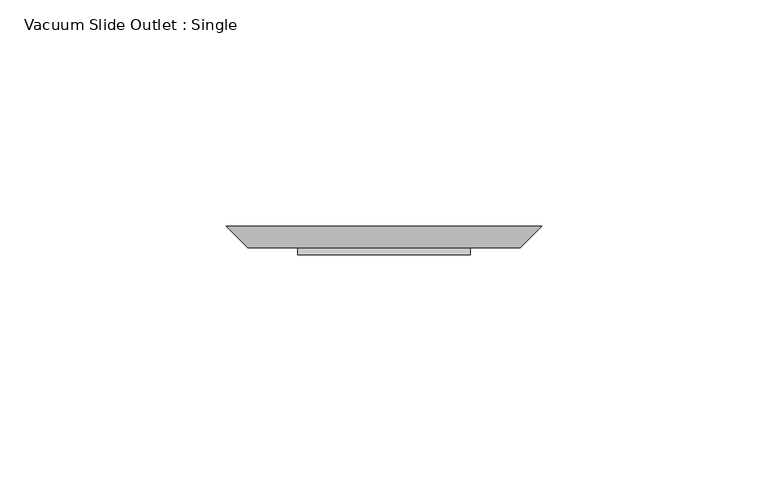
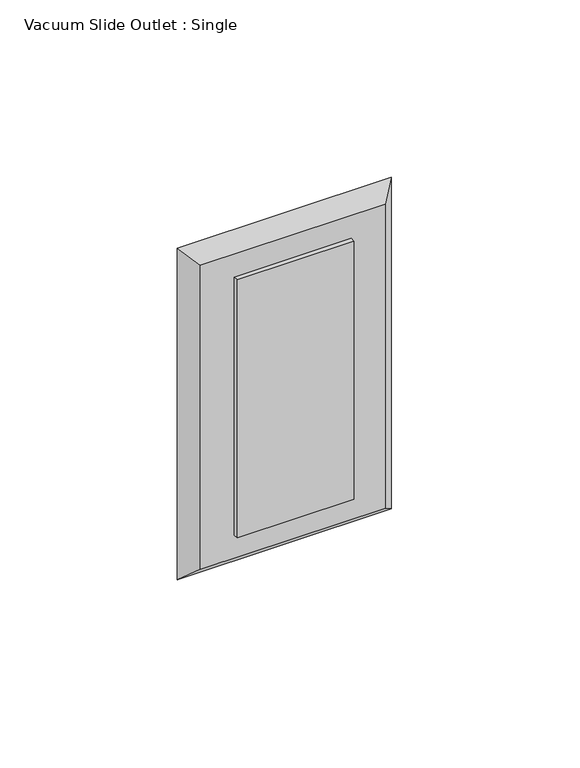
"""IFC4 building model written with IfcOpenShell, lengths in millimetres: proxy geometry, Vacuum Slide Outlet : Single."""

from ifc_helpers import new_model, si_unit, frame, origin, place, context, project, spatial, polyline, outline, extrude, faceted_brep, source, transform, mapped, element, save


def vacuum_slide_outlet_single_c2a62650(model_context):
    return source(origin(), model_context, "Body", "SolidModel", [
        extrude(outline(polyline([(19.05, -66.675), (19.05, -68.2625), (-19.05, -68.2625), (-19.05, -66.675), (19.05, -66.675)])), frame((0.0, 0.0, 869.95), z_axis=(0.0, 0.0, 1.0), x_axis=(1.0, 0.0, 0.0)), (0.0, 0.0, 1.0), 88.9),
        faceted_brep([(-30.1625, -66.675, 966.7875), (-30.1625, -66.675, 862.0125), (30.1625, -66.675, 862.0125), (30.1625, -66.675, 966.7875), (-34.925, -61.9125, 971.55), (34.925, -61.9125, 971.55), (34.925, -61.9125, 857.25), (-34.925, -61.9125, 857.25)], [[[0, 1, 2, 3]], [[4, 5, 6, 7]], [[4, 0, 3, 5]], [[5, 3, 2, 6]], [[6, 2, 1, 7]], [[7, 1, 0, 4]]]),
    ])


if __name__ == "__main__":
    model = new_model("IFC4")
    model_context = context("Model", 3, world=origin())
    ifc_project = project(units=[si_unit("LENGTHUNIT", "METRE", prefix="MILLI")], contexts=[model_context])
    site = spatial("IfcSite", under=ifc_project)
    building = spatial("IfcBuilding", under=site)
    placement = place(None, origin())
    vacuum_slide_outlet_single_shape = vacuum_slide_outlet_single_c2a62650(model_context)
    element("IfcBuildingElementProxy", 1, Name="Vacuum Slide Outlet : Single", ObjectType="Vacuum Slide Outlet : Single", at=placement, inside=building, context=model_context, shape_type="MappedRepresentation", body=[
        mapped(vacuum_slide_outlet_single_shape, transform((0.0, 0.0, 0.0), x_axis=(1.0, 0.0, 0.0), y_axis=(0.0, 1.0, 0.0), z_axis=(0.0, 0.0, 1.0))),
    ])
    save(model, "model.ifc")
